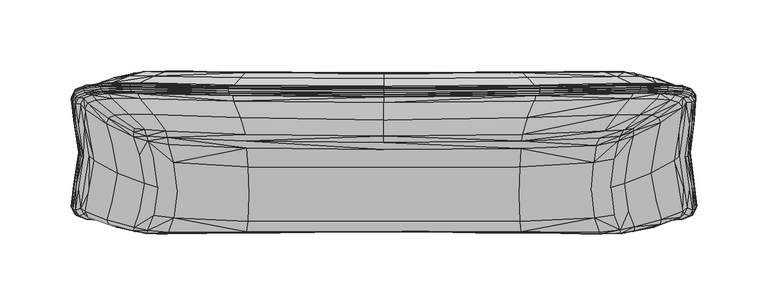
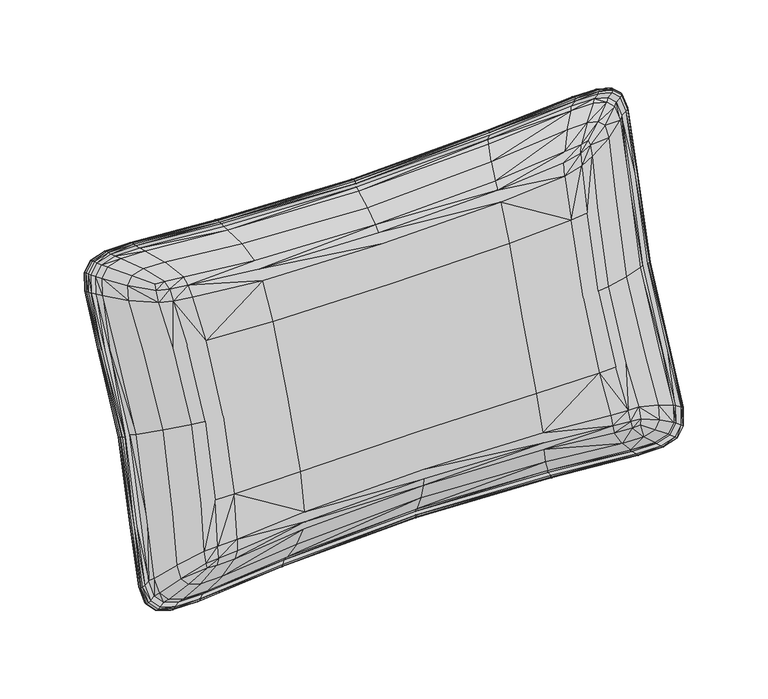
"""IFC4 building model written with IfcOpenShell, lengths in millimetres: furniture geometry."""

from ifc_helpers import new_model, si_unit, origin, place, context, project, spatial, triangles, source, transform, mapped, element, save


def furniture_5aca16b6(model_context):
    return source(origin(), model_context, "Body", "Tessellation", [
        triangles([(-0.1820335, -30.6799178, 155.2535686), (94.5369894, -30.5137716, 155.1598969), (95.0695604, -11.2182254, 207.6314761), (-0.1878292, -11.6325249, 207.0357639), (-95.5483466, -11.2008402, 207.6793111), (-94.8791651, -30.5137965, 155.1598969), (-0.1878224, -49.3098445, 103.5181181), (-95.5453399, -49.4353637, 102.6308358), (95.1270424, -49.4332426, 102.6365495), (171.3514595, -2.7836776, 207.2109349), (161.4035384, -5.7226504, 207.4080523), (159.0480317, -25.575501, 153.3021433), (168.4271831, -22.9330274, 152.3288743), (147.0656962, -8.0856716, 207.570615), (145.3549994, -27.7238278, 154.0994421), (147.4215702, -47.098942, 100.3825265), (161.6633154, -45.1005629, 99.2181262), (171.4593381, -42.6172615, 97.7688324), (-171.7852448, -42.6430548, 97.6976794), (-162.0140752, -45.1216917, 99.1602355), (-159.0837127, -25.5754488, 153.3024522), (-168.3829089, -22.9332454, 152.3294284), (-147.8024881, -47.113853, 100.3417223), (-145.4916462, -27.7238256, 154.0996056), (-147.8174672, -8.0015658, 207.8017964), (-162.0277554, -5.7362829, 207.3707362), (-171.794274, -2.9144334, 206.8527082), (-0.1992, 10.4455504, 244.1423834), (-0.1975442, 6.0080998, 240.0774426), (96.2167379, 6.884011, 242.044619), (97.074934, 11.564675, 246.536932), (-0.1951698, 1.1841133, 233.5233913), (95.7191302, 1.9116573, 235.03807), (-97.3497719, 11.5993522, 246.6320025), (-96.7865886, 6.9632281, 242.2623746), (-96.5188906, 2.0181178, 235.330603), (-0.199101, -56.0113159, 61.552661), (-0.1975112, -56.840444, 67.4024901), (-96.771773, -57.6301033, 64.793615), (-97.3385807, -56.8671048, 58.5203379), (-0.1951377, -56.3791032, 75.3698363), (-96.5031757, -56.9928466, 73.1993701), (96.8448699, -56.8412071, 58.5929397), (96.2847297, -57.6087747, 64.852128), (96.0274961, -56.9777767, 73.2406921), (165.7379395, 10.6015956, 246.94194), (175.0482542, 13.8880626, 248.6702684), (174.7587552, 15.9095394, 251.3602386), (168.4241309, 14.793165, 251.1032594), (151.2424943, 9.1693707, 245.127207), (154.418863, 13.9148517, 250.2399037), (149.0270682, 4.0389267, 237.2804476), (164.2295832, 6.9950962, 239.1534619), (174.8023571, 10.6206669, 241.2858172), (153.1597283, -57.6126398, 53.7255406), (151.746824, -58.1625608, 60.1342928), (150.9459281, -57.1904091, 69.0542289), (166.3325798, -57.8889538, 58.7657262), (167.9348984, -57.4836188, 52.5261498), (175.697833, -56.0597277, 56.4921323), (175.0041435, -56.5959232, 52.1497738), (175.4927402, -53.4652912, 65.217063), (165.6825468, -55.5554662, 67.2971913), (-166.5557312, -57.9713116, 58.5396499), (-175.8186287, -56.0855891, 56.4233183), (-175.0528324, -56.5700617, 52.2269629), (-168.0556033, -57.5094893, 52.4577719), (-152.0854116, -58.2874669, 59.7912359), (-153.4431594, -57.747865, 53.35501), (-151.3385005, -57.2951855, 68.7665057), (-166.0060372, -55.6810944, 66.9522496), (-175.7576767, -53.6016292, 64.8428944), (-153.5501297, 14.1237632, 250.8213544), (-152.1971508, 9.5830928, 246.2640744), (-151.4375315, 4.5665755, 238.7303228), (-166.7471439, 10.6603061, 247.1034127), (-168.3092942, 14.9676422, 251.5864421), (-176.0730281, 13.5044809, 247.6200236), (-175.3633876, 15.8748384, 251.2653498), (-175.8652102, 9.8746811, 239.2435727), (-166.1180762, 6.9463403, 239.0197128), (207.127855, -28.4945589, 86.413103), (203.826821, -6.72583, 146.3778749), (187.6132939, -15.431564, 149.5720567), (191.2328586, -35.8335572, 92.7158614), (207.0522964, 15.3338387, 206.8307982), (191.1598798, 5.6781514, 206.7697555), (209.1801643, 30.4956813, 248.1948069), (194.2842712, 20.1739503, 244.7699614), (206.9202732, 34.2030517, 258.2865419), (192.8244766, 23.6595479, 253.6742144), (201.1886463, 35.871357, 262.8192957), (188.1952715, 25.1529841, 257.42751), (191.2619993, 36.6894484, 265.0503006), (179.7578686, 25.7909471, 259.2054538), (172.948128, 36.7163045, 265.1606863), (163.3670268, 25.6044191, 259.1061503), (105.3985539, 35.1808786, 261.2057859), (100.5734033, 23.4586335, 255.0380301), (-0.2035593, 34.0189628, 258.3684955), (-0.2020328, 21.6100068, 251.9739185), (-105.6073075, 35.1996683, 261.2579993), (-100.7729187, 23.4785723, 255.0910792), (-171.5089535, 36.8524335, 265.5474541), (-161.9391525, 25.7249855, 259.4825081), (-190.9403074, 36.9035114, 265.6444322), (-179.4015677, 25.9924814, 259.7817813), (-202.2515174, 35.9308124, 262.9819493), (-189.1750082, 25.2113449, 257.5886194), (-208.1983565, 33.6246055, 256.7008465), (-194.0136118, 23.099394, 252.1561021), (-210.1247832, 29.4378539, 245.2976363), (-195.1588726, 19.1473823, 241.9929688), (-207.454452, 15.1477604, 206.3205823), (-191.5495907, 5.4999169, 206.2854827), (-203.6760853, -6.7260106, 146.378547), (-187.486503, -15.433207, 149.5732376), (-207.4477482, -28.5238744, 86.3319034), (-191.5478648, -35.8627706, 92.6331267), (-210.0336187, -42.6075919, 47.3531779), (-195.0718866, -48.3234585, 56.6126645), (-207.9414136, -46.5986046, 36.2901382), (-193.7623009, -51.6998557, 46.6493101), (-201.8874045, -48.77235, 30.2639481), (-188.8175627, -53.4833497, 41.3847559), (-190.6847634, -49.8077474, 27.4082108), (-179.1507836, -54.3684156, 38.9953805), (-171.4182069, -49.8520852, 27.3277991), (-161.8513853, -54.4588443, 39.1745847), (-105.5946266, -48.1305378, 32.3082432), (-100.7646071, -53.1680755, 44.4963483), (-0.203523, -46.9819706, 35.8185849), (-0.201976, -52.426165, 48.5551667), (105.0615105, -48.0985767, 32.3974048), (100.2480507, -53.1388622, 44.5859322), (171.1399354, -49.6767779, 27.8074665), (161.5933705, -54.2924573, 39.6266056), (190.6291709, -49.7532767, 27.5535303), (179.10918, -54.3189682, 39.1154767), (201.9575855, -48.8217429, 30.1230069), (188.8965005, -53.5339871, 41.2250136), (207.8858937, -46.544361, 36.4360482), (193.7197344, -51.6509443, 46.7710278), (209.7790376, -42.4304043, 47.8396671), (194.8349825, -48.1558043, 57.071639), (207.3524234, -3.6457443, 145.2510813), (210.422167, 18.6405183, 206.4836901), (210.4975076, -25.74291, 84.5411242), (204.6783497, -46.6159637, 27.1935913), (210.8014679, -44.2639633, 33.6583743), (212.8545221, -40.030142, 45.2910173), (173.2448214, -47.5173076, 24.701481), (193.08994, -47.5853176, 24.5248452), (106.1847795, -45.903548, 29.100379), (-0.2040025, -44.7255313, 32.3144043), (-106.7213383, -45.93565, 29.0124438), (-204.6135281, -46.5638956, 27.3368965), (-193.1506921, -47.6382396, 24.3799299), (-173.527871, -47.6925967, 24.2204693), (-213.1138631, -40.2075385, 44.803974), (-210.8621292, -44.3168126, 33.5134567), (-210.8191086, -25.7714852, 84.4627951), (-207.1996347, -3.6454982, 145.2516627), (-210.827284, 18.4523394, 205.9666795), (-204.9805841, 39.4961448, 263.7850616), (-211.1217064, 37.148759, 257.3382895), (-213.2071169, 32.9066737, 245.6835866), (-173.6210339, 40.5011479, 266.5305699), (-193.4089067, 40.5057988, 266.5536427), (-106.7359087, 39.0063718, 262.3887079), (-0.2040173, 38.0124145, 259.6353876), (106.5252202, 38.9877274, 262.3373302), (203.9073393, 39.4375183, 263.6234799), (193.728037, 40.2890243, 265.9575308), (175.0639146, 40.3602954, 266.1432026), (212.2504347, 33.9696857, 248.6044112), (209.830597, 37.7309614, 258.9378284)], [[1, 2, 3], [3, 4, 1], [4, 5, 6], [6, 1, 4], [7, 1, 6], [6, 8, 7], [7, 9, 2], [2, 1, 7], [10, 11, 12], [12, 13, 10], [11, 14, 15], [15, 12, 11], [14, 3, 2], [2, 15, 14], [9, 16, 15], [15, 2, 9], [17, 12, 15], [15, 16, 17], [17, 18, 13], [13, 12, 17], [19, 20, 21], [21, 22, 19], [20, 23, 24], [24, 21, 20], [23, 8, 6], [6, 24, 23], [5, 25, 24], [24, 6, 5], [26, 21, 24], [24, 25, 26], [26, 27, 22], [22, 21, 26], [28, 29, 30], [30, 31, 28], [29, 32, 33], [33, 30, 29], [28, 34, 35], [35, 29, 28], [33, 32, 4], [4, 3, 33], [32, 29, 35], [35, 36, 32], [5, 4, 32], [32, 36, 5], [37, 38, 39], [39, 40, 37], [38, 41, 42], [42, 39, 38], [37, 43, 44], [44, 38, 37], [42, 41, 7], [7, 8, 42], [41, 38, 44], [44, 45, 41], [9, 7, 41], [41, 45, 9], [46, 47, 48], [48, 49, 46], [50, 46, 49], [49, 51, 50], [46, 50, 52], [52, 53, 46], [47, 46, 53], [53, 54, 47], [51, 31, 30], [30, 50, 51], [52, 50, 30], [30, 33, 52], [14, 52, 33], [33, 3, 14], [14, 11, 53], [53, 52, 14], [11, 10, 54], [54, 53, 11], [43, 55, 56], [56, 44, 43], [45, 44, 56], [56, 57, 45], [45, 57, 16], [16, 9, 45], [58, 56, 55], [55, 59, 58], [60, 58, 59], [59, 61, 60], [58, 60, 62], [62, 63, 58], [56, 58, 63], [63, 57, 56], [18, 17, 63], [63, 62, 18], [16, 57, 63], [63, 17, 16], [64, 65, 66], [66, 67, 64], [68, 64, 67], [67, 69, 68], [64, 68, 70], [70, 71, 64], [65, 64, 71], [71, 72, 65], [69, 40, 39], [39, 68, 69], [70, 68, 39], [39, 42, 70], [23, 70, 42], [42, 8, 23], [23, 20, 71], [71, 70, 23], [20, 19, 72], [72, 71, 20], [34, 73, 74], [74, 35, 34], [36, 35, 74], [74, 75, 36], [36, 75, 25], [25, 5, 36], [76, 74, 73], [73, 77, 76], [78, 76, 77], [77, 79, 78], [76, 78, 80], [80, 81, 76], [74, 76, 81], [81, 75, 74], [27, 26, 81], [81, 80, 27], [25, 75, 81], [81, 26, 25], [82, 83, 84], [84, 85, 82], [83, 86, 87], [87, 84, 83], [84, 87, 10], [10, 13, 84], [13, 18, 85], [85, 84, 13], [86, 88, 89], [89, 87, 86], [88, 90, 91], [91, 89, 88], [90, 92, 93], [93, 91, 90], [48, 47, 91], [91, 93, 48], [47, 54, 89], [89, 91, 47], [10, 87, 89], [89, 54, 10], [92, 94, 95], [95, 93, 92], [94, 96, 97], [97, 95, 94], [96, 98, 99], [99, 97, 96], [98, 100, 101], [101, 99, 98], [31, 99, 101], [101, 28, 31], [31, 51, 97], [97, 99, 31], [51, 49, 95], [95, 97, 51], [49, 48, 93], [93, 95, 49], [100, 102, 103], [103, 101, 100], [101, 103, 34], [34, 28, 101], [102, 104, 105], [105, 103, 102], [104, 106, 107], [107, 105, 104], [106, 108, 109], [109, 107, 106], [79, 77, 107], [107, 109, 79], [77, 73, 105], [105, 107, 77], [34, 103, 105], [105, 73, 34], [108, 110, 111], [111, 109, 108], [110, 112, 113], [113, 111, 110], [112, 114, 115], [115, 113, 112], [114, 116, 117], [117, 115, 114], [27, 115, 117], [117, 22, 27], [27, 80, 113], [113, 115, 27], [80, 78, 111], [111, 113, 80], [78, 79, 109], [109, 111, 78], [116, 118, 119], [119, 117, 116], [117, 119, 19], [19, 22, 117], [118, 120, 121], [121, 119, 118], [120, 122, 123], [123, 121, 120], [122, 124, 125], [125, 123, 122], [66, 65, 123], [123, 125, 66], [65, 72, 121], [121, 123, 65], [19, 119, 121], [121, 72, 19], [124, 126, 127], [127, 125, 124], [126, 128, 129], [129, 127, 126], [128, 130, 131], [131, 129, 128], [130, 132, 133], [133, 131, 130], [40, 131, 133], [133, 37, 40], [40, 69, 129], [129, 131, 40], [69, 67, 127], [127, 129, 69], [67, 66, 125], [125, 127, 67], [132, 134, 135], [135, 133, 132], [133, 135, 43], [43, 37, 133], [134, 136, 137], [137, 135, 134], [136, 138, 139], [139, 137, 136], [138, 140, 141], [141, 139, 138], [61, 59, 139], [139, 141, 61], [59, 55, 137], [137, 139, 59], [43, 135, 137], [137, 55, 43], [140, 142, 143], [143, 141, 140], [142, 144, 145], [145, 143, 142], [82, 85, 145], [145, 144, 82], [18, 62, 145], [145, 85, 18], [62, 60, 143], [143, 145, 62], [60, 61, 141], [141, 143, 60], [146, 147, 86], [86, 83, 146], [148, 146, 83], [83, 82, 148], [140, 149, 150], [150, 142, 140], [144, 142, 150], [150, 151, 144], [144, 151, 148], [148, 82, 144], [136, 152, 153], [153, 138, 136], [149, 140, 138], [138, 153, 149], [134, 154, 152], [152, 136, 134], [155, 154, 134], [134, 132, 155], [156, 155, 132], [132, 130, 156], [124, 157, 158], [158, 126, 124], [128, 126, 158], [158, 159, 128], [128, 159, 156], [156, 130, 128], [120, 160, 161], [161, 122, 120], [157, 124, 122], [122, 161, 157], [118, 162, 160], [160, 120, 118], [163, 162, 118], [118, 116, 163], [164, 163, 116], [116, 114, 164], [108, 165, 166], [166, 110, 108], [112, 110, 166], [166, 167, 112], [112, 167, 164], [164, 114, 112], [104, 168, 169], [169, 106, 104], [165, 108, 106], [106, 169, 165], [102, 170, 168], [168, 104, 102], [171, 170, 102], [102, 100, 171], [172, 171, 100], [100, 98, 172], [92, 173, 174], [174, 94, 92], [96, 94, 174], [174, 175, 96], [96, 175, 172], [172, 98, 96], [88, 176, 177], [177, 90, 88], [173, 92, 90], [90, 177, 173], [86, 147, 176], [176, 88, 86]], closed=False),
        triangles([(-0.2052155, 41.0935037, 263.9981482), (-109.2623624, 42.0562901, 266.6434083), (-109.0178824, 40.6860749, 266.2985892), (-0.2051063, 39.7036358, 263.5992808), (108.8058677, 40.6681027, 266.2490646), (109.0493303, 42.0386177, 266.5947739), (-109.3438981, 43.4711747, 266.4095199), (-0.2052838, 42.5149513, 263.7822639), (109.130539, 43.4536022, 266.3611217), (-0.2052378, 43.7426062, 263.0339265), (109.0493303, 44.6876793, 265.630425), (108.8058314, 45.5153904, 264.4848191), (-0.205129, 44.5509053, 261.8349263), (-109.0178824, 45.5333535, 264.5342892), (-109.2623805, 44.7053926, 265.6791866), (179.2454544, 42.016467, 269.9536168), (179.7576324, 43.3549481, 270.2112864), (179.9284432, 44.7593092, 269.9484754), (198.4953514, 41.912826, 269.6688776), (199.0994751, 43.235951, 269.8843441), (209.050303, 41.0043376, 267.1728091), (209.722137, 42.310894, 267.3427478), (209.9461241, 43.704627, 267.0507962), (199.3008981, 44.6351843, 269.6074897), (209.0502849, 45.8516162, 265.4085817), (198.4952969, 46.7601182, 267.9046321), (199.0994751, 45.8850399, 268.9201225), (209.7221189, 44.9599919, 266.3785807), (179.2453817, 46.8637592, 268.1893713), (179.7576688, 46.004037, 269.2471192), (-210.1426419, 41.0626326, 267.3332099), (-198.1740955, 42.130468, 270.2670606), (-198.7801995, 43.4528437, 270.480456), (-210.8165288, 42.3685667, 267.5014227), (-177.7809726, 42.155789, 270.336624), (-178.2947857, 43.4935116, 270.5922043), (-178.4661052, 44.8976047, 270.3286484), (-198.9823129, 44.8518907, 270.2030565), (-211.0411517, 43.7620953, 267.2088716), (-177.7809726, 47.0030994, 268.5723966), (-178.2947857, 46.142605, 269.6279826), (-198.1740955, 46.9777285, 268.5027061), (-198.7801995, 46.1019416, 269.5162889), (-210.14266, 45.9098976, 265.5688554), (-210.8165288, 45.0176691, 266.5372556), (-216.7752494, 19.268555, 207.4545065), (-218.8408028, 34.2190164, 248.5305604), (-219.6311434, 35.4767408, 248.5663503), (-217.6931984, 20.4429019, 207.2612407), (-219.8946447, 36.8542049, 248.2295976), (-217.9992117, 21.7925811, 206.8481482), (-216.5575301, 38.6182505, 260.6173226), (-217.2900254, 39.904155, 260.7305061), (-217.5341965, 41.2909707, 260.4195512), (-216.5575483, 43.4655473, 258.8530771), (-217.2900435, 42.553262, 259.7663389), (-218.8408028, 39.0663246, 246.766333), (-219.6311434, 38.1258387, 247.6021286), (-216.7752494, 24.1158586, 205.6902429), (-217.6931984, 23.0920225, 206.2970736), (-214.9476175, 37.5079145, 259.8159362), (-208.6382824, 39.9156459, 266.4310302), (-217.1373276, 33.1633237, 247.8788741), (-214.8835771, 18.3788075, 207.256826), (-108.4140947, 39.4518842, 265.1476783), (-0.2047795, 38.4464632, 262.3806597), (-176.6021201, 40.9607947, 269.2997505), (-196.8035578, 40.9566934, 269.2903215), (108.2034608, 39.4334669, 265.0969547), (197.1266304, 40.7383473, 268.690231), (207.5510123, 39.8566515, 266.2686128), (178.0652394, 40.8202827, 268.9136185), (108.2034245, 45.7206104, 262.8086133), (-0.2047806, 44.73065, 260.0933902), (178.0652212, 47.1116047, 266.62386), (197.1266122, 47.0307594, 266.399982), (207.5509033, 46.1495813, 263.9781821), (-108.4140947, 45.739005, 262.8592824), (-196.803576, 47.2490963, 267.000018), (-208.6382642, 46.2086484, 264.140545), (-176.6021383, 47.2520077, 267.0098466), (-217.1373276, 39.4561309, 245.5884434), (-214.8835771, 24.6703828, 204.9669404), (-214.9476175, 43.8009874, 257.5253783), (-213.2071169, 32.9066737, 245.6835866), (-210.827284, 18.4523394, 205.9666795), (-211.1217064, 37.148759, 257.3382895), (-204.9805841, 39.4961448, 263.7850616), (-173.6210339, 40.5011479, 266.5305699), (-106.7359087, 39.0063718, 262.3887079), (-0.2040173, 38.0124145, 259.6353876), (-193.4089067, 40.5057988, 266.5536427), (106.5252202, 38.9877274, 262.3373302), (175.0639146, 40.3602954, 266.1432026), (193.728037, 40.2890243, 265.9575308), (203.9073393, 39.4375183, 263.6234799), (209.830597, 37.7309614, 258.9378284), (213.6435546, 38.0990121, 261.4398015), (215.2493978, 39.2120279, 262.2484549), (215.9803669, 40.4988089, 262.3641455), (216.2242292, 41.8859562, 262.0540263), (215.2493433, 44.0593156, 260.4842275), (215.9804214, 43.1479068, 261.3999238), (213.643482, 44.3921305, 259.1493163), (209.8305788, 43.368383, 256.8858825), (203.9073757, 45.0729937, 261.5723697), (175.0638237, 45.9857514, 264.0957258), (106.525202, 44.5907739, 260.2979562), (-0.2040183, 43.601154, 257.6013185), (193.7280188, 45.9209797, 263.9076196), (-106.7358814, 44.6094818, 260.3493884), (-173.6210521, 46.1267448, 264.4830387), (-193.4089612, 46.1379859, 264.5036588), (-204.9806023, 45.1318609, 261.7339514), (-211.1217427, 42.7861511, 255.286507), (-214.3023807, -2.3084182, 144.752429), (-217.6835878, -25.0918233, 82.1555958), (-216.7661111, -26.1139992, 82.766932), (-213.3073833, -3.4070433, 145.1538035), (-217.9893831, -23.7929654, 81.6029406), (-214.6340102, -0.9840366, 144.2699276), (-214.3023807, 0.340673, 143.7882346), (-213.307347, 1.4402596, 143.3895852), (-216.7657841, -21.2668024, 81.0024412), (-217.6834607, -22.4427776, 81.1912379), (-0.2052654, -45.1447417, 27.0605803), (108.6991337, -46.2900751, 23.9137338), (108.4566884, -47.1201298, 25.0529221), (-0.2051564, -45.9569968, 28.2486368), (-108.9999329, -47.1519593, 24.9655705), (-109.2432956, -46.3217002, 23.8269386), (108.7800335, -45.0551714, 23.1853217), (-0.2052874, -43.9157651, 26.315881), (-109.3243862, -45.0867692, 23.0986173), (-0.2052441, -42.4956301, 26.0963813), (-109.2431048, -43.6726568, 22.8625989), (-108.9996513, -42.3047579, 23.2010593), (-0.2051137, -41.1097227, 26.4843709), (108.4570154, -42.2727604, 23.2888923), (108.6993517, -43.6409318, 22.9496779), (197.8449368, -48.7410202, 20.5995489), (177.3940413, -48.7030319, 20.703937), (177.9051292, -47.8435868, 19.6454488), (198.4480977, -47.8674498, 19.5798959), (178.075722, -46.5989135, 18.9438984), (198.6494117, -46.6180711, 18.8912604), (177.3945681, -43.8555807, 18.9400991), (177.9054744, -45.1943935, 18.6815155), (197.8454092, -43.8935599, 18.8357439), (198.4484611, -45.2182474, 18.6159717), (-177.6835585, -48.8792339, 20.2199822), (-178.1962089, -48.01933, 19.1627929), (-178.3670197, -46.7745704, 18.4614821), (-197.9080507, -48.7922661, 20.4589052), (-198.5129375, -47.9180826, 19.44096), (-209.7653212, -47.6577742, 23.5759751), (-210.4379727, -46.7676532, 22.6017477), (-210.6620506, -45.5128606, 21.9280288), (-198.7144877, -46.6685858, 18.7526833), (-209.7647216, -42.8106636, 21.8112141), (-197.9074512, -43.9451601, 18.6941623), (-198.512556, -45.2690937, 18.4764862), (-210.4375912, -44.1186597, 21.637258), (-177.6830316, -44.0321052, 18.4552916), (-178.1959, -45.3703229, 18.1983487), (-216.2903771, -45.3145669, 30.0138361), (-217.0218005, -44.4047115, 29.0938682), (-218.7441154, -41.0491614, 41.7329314), (-219.5335839, -40.1110918, 40.8904683), (-219.7966856, -38.8403073, 40.2606784), (-217.2655356, -43.1433241, 28.4382578), (-218.7435885, -36.202044, 39.968209), (-219.5332751, -37.4621142, 39.9259787), (-216.2897957, -40.4674609, 28.2490774), (-217.0214553, -41.7557225, 28.1293786), (107.856725, -47.3295238, 26.7176733), (-0.2047426, -46.1442219, 29.9696619), (176.2199123, -48.9497329, 22.2724686), (106.1847795, -45.903548, 29.100379), (-0.2040025, -44.7255313, 32.3144043), (196.4791227, -49.0079098, 22.1145), (-108.397853, -47.3616621, 26.6294951), (-106.7213383, -45.93565, 29.0124438), (-196.5399111, -49.060155, 21.9711403), (-208.2637231, -47.9522057, 25.0161034), (-176.5065409, -49.1263891, 21.7873125), (-173.527871, -47.6925967, 24.2204693), (-193.1506921, -47.6382396, 24.3799299), (-204.6135281, -46.5638956, 27.3368965), (-214.8749112, -26.6650603, 83.4998724), (-211.306379, -4.1277041, 145.4195213), (-217.0419482, -41.4337945, 42.9249962), (-213.1138631, -40.2075385, 44.803974), (-210.8191086, -25.7714852, 84.4627951), (-207.1996347, -3.6454982, 145.2516627), (-214.6826446, -45.6450336, 31.3551651), (-210.8621292, -44.3168126, 33.5134567), (-211.3063608, 2.1630781, 143.1298264), (-213.2071169, 38.5442361, 243.6316588), (-210.827284, 24.0873697, 203.9156964), (-207.1996347, 1.9883888, 143.2010248), (-214.8746023, -20.3735747, 81.2096688), (-210.8188361, -20.136523, 82.4115758), (-214.6820269, -39.3521356, 29.0641439), (-208.2631054, -41.6594166, 22.7251209), (-217.0413669, -35.1411622, 40.6341204), (-213.1133908, -34.5701419, 42.751651), (-210.8616205, -38.6796748, 31.4611724), (-204.6130194, -40.9285337, 25.2852503), (-108.397526, -41.074605, 24.3408971), (-0.204809, -39.860067, 27.682415), (-176.5059414, -42.8353033, 19.4970544), (-173.5273441, -42.0670498, 22.1724838), (-106.7210567, -40.3326353, 26.972879), (-0.2039382, -39.1370824, 30.2803601), (-196.5392389, -42.7679246, 19.6803894), (-193.1501108, -42.0062296, 22.3295259), (107.8570521, -41.042285, 24.4295885), (106.185052, -40.3004743, 27.0612729), (176.2205664, -42.6583519, 19.9831053), (196.4797404, -42.7153069, 19.8247574), (214.4622183, -2.3085687, 144.7518476), (217.2844116, 20.6379913, 207.796982), (216.3671348, 19.4626996, 207.9876862), (213.4672936, -3.4071645, 145.1532585), (216.4416033, -26.0876836, 82.8390388), (217.3584442, -25.0663274, 82.2254407), (217.5900797, 21.9879384, 207.3846889), (214.793866, -0.9841758, 144.269328), (217.6640396, -23.7676899, 81.6721315), (214.462182, 0.3405411, 143.7876805), (217.3585713, -22.4171841, 81.2613644), (216.441785, -21.2403142, 81.0750022), (213.4672573, 1.4401199, 143.3889857), (216.3672074, 24.3099873, 206.2234044), (217.2843753, 23.2870756, 206.8327603), (217.87689, 35.3026848, 251.5077042), (218.6662677, 36.5615492, 251.546619), (218.9295147, 37.9394039, 251.21092), (217.8768355, 40.1499703, 249.7434042), (218.6663767, 39.2106608, 250.5824518), (209.8307241, -47.7137028, 23.4220601), (210.5018678, -46.8243494, 22.4457684), (210.725764, -45.5697158, 21.7715772), (209.8313782, -42.866247, 21.6582869), (210.502213, -44.1751424, 21.4818669), (218.4790153, -40.8715832, 42.2206242), (219.2670668, -39.934263, 41.3761309), (219.5298051, -38.6636375, 40.7458596), (216.2273359, -45.2638069, 30.1530855), (216.9571969, -44.3547145, 29.2310351), (217.2008048, -43.0935088, 28.5749228), (216.2279717, -40.4163512, 28.3892941), (216.9576329, -41.7055212, 28.2671177), (218.4795422, -36.024132, 40.4568147), (219.2672848, -37.285072, 40.4121817), (211.4653264, -4.1278781, 145.4188673), (214.5518023, -26.6374525, 83.5754946), (214.4767523, 18.5710662, 207.7848461), (210.4975076, -25.74291, 84.5411242), (207.3524234, -3.6457443, 145.2510813), (210.422167, 18.6405183, 206.4836901), (214.6218016, -45.5930474, 31.4977913), (208.3310155, -48.0066764, 24.8662579), (216.7795187, -41.2553534, 43.4150644), (212.8545221, -40.030142, 45.2910173), (210.8014679, -44.2639633, 33.6583743), (204.6783497, -46.6159637, 27.1935913), (173.2448214, -47.5173076, 24.701481), (193.08994, -47.5853176, 24.5248452), (216.1753042, 34.242616, 250.8441183), (212.2504347, 33.9696857, 248.6044112), (211.4654717, 2.1629748, 143.129245), (214.4767523, 24.8626426, 205.4949241), (214.5520203, -20.3457853, 81.2858088), (210.4220761, 24.2756599, 204.4326706), (207.3525506, 1.9883772, 143.2004616), (210.4977074, -20.1077638, 82.4903501), (216.1753042, 40.5355118, 248.5536876), (212.2504529, 39.6075343, 246.5524107), (208.3316332, -41.7134876, 22.5763291), (173.2452574, -41.891738, 22.6543925), (193.0905577, -41.9531623, 22.475395), (204.6790219, -40.9802793, 25.142883), (216.7802273, -34.9623668, 41.1251651), (212.8549582, -34.3925251, 43.2395391), (214.6225828, -39.2997678, 29.2078193), (210.8019221, -38.626544, 31.6070097)], [[1, 2, 3], [3, 4, 1], [4, 5, 6], [6, 1, 4], [7, 2, 1], [1, 8, 7], [9, 8, 1], [1, 6, 9], [10, 11, 12], [12, 13, 10], [13, 14, 15], [15, 10, 13], [9, 11, 10], [10, 8, 9], [7, 8, 10], [10, 15, 7], [5, 16, 17], [17, 6, 5], [6, 17, 18], [18, 9, 6], [16, 19, 20], [20, 17, 16], [19, 21, 22], [22, 20, 19], [23, 24, 20], [20, 22, 23], [18, 17, 20], [20, 24, 18], [25, 26, 27], [27, 28, 25], [26, 29, 30], [30, 27, 26], [12, 11, 30], [30, 29, 12], [18, 30, 11], [11, 9, 18], [18, 24, 27], [27, 30, 18], [24, 23, 28], [28, 27, 24], [31, 32, 33], [33, 34, 31], [32, 35, 36], [36, 33, 32], [3, 2, 36], [36, 35, 3], [37, 36, 2], [2, 7, 37], [37, 38, 33], [33, 36, 37], [38, 39, 34], [34, 33, 38], [14, 40, 41], [41, 15, 14], [15, 41, 37], [37, 7, 15], [40, 42, 43], [43, 41, 40], [42, 44, 45], [45, 43, 42], [39, 38, 43], [43, 45, 39], [37, 41, 43], [43, 38, 37], [46, 47, 48], [48, 49, 46], [49, 48, 50], [50, 51, 49], [47, 52, 53], [53, 48, 47], [52, 31, 34], [34, 53, 52], [39, 54, 53], [53, 34, 39], [50, 48, 53], [53, 54, 50], [44, 55, 56], [56, 45, 44], [55, 57, 58], [58, 56, 55], [59, 60, 58], [58, 57, 59], [50, 58, 60], [60, 51, 50], [50, 54, 56], [56, 58, 50], [54, 39, 45], [45, 56, 54], [31, 52, 61], [61, 62, 31], [52, 47, 63], [63, 61, 52], [46, 64, 63], [63, 47, 46], [3, 65, 66], [66, 4, 3], [3, 35, 67], [67, 65, 3], [35, 32, 68], [68, 67, 35], [32, 31, 62], [62, 68, 32], [66, 69, 5], [5, 4, 66], [21, 19, 70], [70, 71, 21], [19, 16, 72], [72, 70, 19], [5, 69, 72], [72, 16, 5], [12, 73, 74], [74, 13, 12], [12, 29, 75], [75, 73, 12], [29, 26, 76], [76, 75, 29], [26, 25, 77], [77, 76, 26], [74, 78, 14], [14, 13, 74], [44, 42, 79], [79, 80, 44], [42, 40, 81], [81, 79, 42], [14, 78, 81], [81, 40, 14], [59, 57, 82], [82, 83, 59], [57, 55, 84], [84, 82, 57], [55, 44, 80], [80, 84, 55], [85, 63, 64], [64, 86, 85], [85, 87, 61], [61, 63, 85], [87, 88, 62], [62, 61, 87], [65, 67, 89], [89, 90, 65], [90, 91, 66], [66, 65, 90], [88, 92, 68], [68, 62, 88], [89, 67, 68], [68, 92, 89], [93, 69, 66], [66, 91, 93], [94, 72, 69], [69, 93, 94], [94, 95, 70], [70, 72, 94], [95, 96, 71], [71, 70, 95], [96, 97, 98], [98, 71, 96], [21, 99, 100], [100, 22, 21], [101, 23, 22], [22, 100, 101], [102, 25, 28], [28, 103, 102], [23, 101, 103], [103, 28, 23], [99, 21, 71], [71, 98, 99], [25, 102, 104], [104, 77, 25], [105, 106, 77], [77, 104, 105], [73, 75, 107], [107, 108, 73], [108, 109, 74], [74, 73, 108], [106, 110, 76], [76, 77, 106], [107, 75, 76], [76, 110, 107], [111, 78, 74], [74, 109, 111], [112, 81, 78], [78, 111, 112], [112, 113, 79], [79, 81, 112], [113, 114, 80], [80, 79, 113], [114, 115, 84], [84, 80, 114], [116, 117, 118], [118, 119, 116], [119, 46, 49], [49, 116, 119], [120, 117, 116], [116, 121, 120], [51, 121, 116], [116, 49, 51], [122, 60, 59], [59, 123, 122], [123, 124, 125], [125, 122, 123], [51, 60, 122], [122, 121, 51], [120, 121, 122], [122, 125, 120], [126, 127, 128], [128, 129, 126], [129, 130, 131], [131, 126, 129], [132, 127, 126], [126, 133, 132], [134, 133, 126], [126, 131, 134], [135, 136, 137], [137, 138, 135], [138, 139, 140], [140, 135, 138], [134, 136, 135], [135, 133, 134], [132, 133, 135], [135, 140, 132], [141, 142, 143], [143, 144, 141], [128, 127, 143], [143, 142, 128], [145, 143, 127], [127, 132, 145], [145, 146, 144], [144, 143, 145], [139, 147, 148], [148, 140, 139], [140, 148, 145], [145, 132, 140], [147, 149, 150], [150, 148, 147], [145, 148, 150], [150, 146, 145], [130, 151, 152], [152, 131, 130], [131, 152, 153], [153, 134, 131], [151, 154, 155], [155, 152, 151], [154, 156, 157], [157, 155, 154], [158, 159, 155], [155, 157, 158], [153, 152, 155], [155, 159, 153], [160, 161, 162], [162, 163, 160], [161, 164, 165], [165, 162, 161], [137, 136, 165], [165, 164, 137], [153, 165, 136], [136, 134, 153], [153, 159, 162], [162, 165, 153], [159, 158, 163], [163, 162, 159], [156, 166, 167], [167, 157, 156], [166, 168, 169], [169, 167, 166], [118, 117, 169], [169, 168, 118], [170, 169, 117], [117, 120, 170], [170, 171, 167], [167, 169, 170], [171, 158, 157], [157, 167, 171], [124, 172, 173], [173, 125, 124], [125, 173, 170], [170, 120, 125], [172, 174, 175], [175, 173, 172], [174, 160, 163], [163, 175, 174], [158, 171, 175], [175, 163, 158], [170, 173, 175], [175, 171, 170], [128, 176, 177], [177, 129, 128], [128, 142, 178], [178, 176, 128], [179, 180, 177], [177, 176, 179], [142, 141, 181], [181, 178, 142], [177, 182, 130], [130, 129, 177], [183, 182, 177], [177, 180, 183], [156, 154, 184], [184, 185, 156], [154, 151, 186], [186, 184, 154], [130, 182, 186], [186, 151, 130], [187, 186, 182], [182, 183, 187], [187, 188, 184], [184, 186, 187], [188, 189, 185], [185, 184, 188], [118, 190, 191], [191, 119, 118], [118, 168, 192], [192, 190, 118], [190, 192, 193], [193, 194, 190], [194, 195, 191], [191, 190, 194], [168, 166, 196], [196, 192, 168], [166, 156, 185], [185, 196, 166], [189, 197, 196], [196, 185, 189], [193, 192, 196], [196, 197, 193], [191, 64, 46], [46, 119, 191], [86, 64, 191], [191, 195, 86], [59, 83, 198], [198, 123, 59], [83, 82, 199], [199, 200, 83], [200, 201, 198], [198, 83, 200], [199, 82, 84], [84, 115, 199], [198, 202, 124], [124, 123, 198], [203, 202, 198], [198, 201, 203], [160, 174, 204], [204, 205, 160], [174, 172, 206], [206, 204, 174], [124, 202, 206], [206, 172, 124], [207, 206, 202], [202, 203, 207], [207, 208, 204], [204, 206, 207], [208, 209, 205], [205, 204, 208], [137, 210, 211], [211, 138, 137], [137, 164, 212], [212, 210, 137], [210, 212, 213], [213, 214, 210], [214, 215, 211], [211, 210, 214], [164, 161, 216], [216, 212, 164], [161, 160, 205], [205, 216, 161], [209, 217, 216], [216, 205, 209], [213, 212, 216], [216, 217, 213], [211, 218, 139], [139, 138, 211], [219, 218, 211], [211, 215, 219], [149, 147, 220], [220, 221, 149], [139, 218, 220], [220, 147, 139], [222, 223, 224], [224, 225, 222], [225, 226, 227], [227, 222, 225], [228, 223, 222], [222, 229, 228], [230, 229, 222], [222, 227, 230], [231, 232, 233], [233, 234, 231], [234, 235, 236], [236, 231, 234], [230, 232, 231], [231, 229, 230], [228, 229, 231], [231, 236, 228], [99, 237, 238], [238, 100, 99], [224, 223, 238], [238, 237, 224], [239, 238, 223], [223, 228, 239], [239, 101, 100], [100, 238, 239], [235, 240, 241], [241, 236, 235], [236, 241, 239], [239, 228, 236], [240, 102, 103], [103, 241, 240], [239, 241, 103], [103, 101, 239], [242, 141, 144], [144, 243, 242], [146, 244, 243], [243, 144, 146], [149, 245, 246], [246, 150, 149], [244, 146, 150], [150, 246, 244], [226, 247, 248], [248, 227, 226], [227, 248, 249], [249, 230, 227], [247, 250, 251], [251, 248, 247], [250, 242, 243], [243, 251, 250], [244, 252, 251], [251, 243, 244], [249, 248, 251], [251, 252, 249], [245, 253, 254], [254, 246, 245], [253, 255, 256], [256, 254, 253], [233, 232, 256], [256, 255, 233], [249, 256, 232], [232, 230, 249], [249, 252, 254], [254, 256, 249], [252, 244, 246], [246, 254, 252], [257, 258, 226], [226, 225, 257], [225, 224, 259], [259, 257, 225], [260, 258, 257], [257, 261, 260], [262, 261, 257], [257, 259, 262], [242, 250, 263], [263, 264, 242], [250, 247, 265], [265, 263, 250], [226, 258, 265], [265, 247, 226], [266, 265, 258], [258, 260, 266], [266, 267, 263], [263, 265, 266], [267, 268, 264], [264, 263, 267], [176, 178, 269], [269, 179, 176], [141, 242, 264], [264, 181, 141], [268, 270, 181], [181, 264, 268], [269, 178, 181], [181, 270, 269], [224, 237, 271], [271, 259, 224], [259, 271, 272], [272, 262, 259], [237, 99, 98], [98, 271, 237], [272, 271, 98], [98, 97, 272], [273, 274, 235], [235, 234, 273], [234, 233, 275], [275, 273, 234], [276, 274, 273], [273, 277, 276], [278, 277, 273], [273, 275, 278], [102, 240, 279], [279, 104, 102], [235, 274, 279], [279, 240, 235], [280, 279, 274], [274, 276, 280], [280, 105, 104], [104, 279, 280], [245, 149, 221], [221, 281, 245], [282, 220, 218], [218, 219, 282], [282, 283, 221], [221, 220, 282], [283, 284, 281], [281, 221, 283], [233, 255, 285], [285, 275, 233], [275, 285, 286], [286, 278, 275], [255, 253, 287], [287, 285, 255], [253, 245, 281], [281, 287, 253], [284, 288, 287], [287, 281, 284], [286, 285, 287], [287, 288, 286]], closed=False),
        triangles([(-96.328795, 28.1216551, 133.8174042), (-1.6337314, 28.3094412, 133.7831767), (-1.6414364, 9.3258695, 82.1763703), (-96.9972044, 8.8473604, 81.4042154), (-97.0002565, 47.0895676, 186.4738104), (-1.6414652, 47.0032765, 185.6941524), (93.0872596, 28.1222864, 133.8190393), (93.6176051, 47.0655047, 186.4075899), (93.6750144, 8.8580457, 81.4334742), (147.4214612, 5.5986834, 81.2021384), (145.354954, 25.2850618, 134.8057796), (147.0656872, 44.6119572, 188.3902087), (168.4270922, 21.0101751, 136.3348378), (159.0480317, 23.4077191, 135.4737621), (161.4034294, 42.9781588, 189.6824082), (171.3514595, 40.8523847, 191.3286922), (171.4593926, 1.0186665, 81.8866896), (161.6633154, 3.6002313, 81.4924731), (-147.8174672, 44.696059, 188.6214083), (-145.4916462, 25.2850754, 134.8059613), (-147.8024881, 5.5837889, 81.1613614), (-168.3828907, 21.0105703, 136.3351921), (-159.0836763, 23.40776, 135.4740255), (-162.0141116, 3.5791034, 81.4345915), (-171.785263, 0.9925654, 81.815582), (-171.794274, 40.722201, 190.9702656), (-162.0277735, 42.9645332, 189.6451467), (-96.518936, 54.7157282, 216.150233), (-0.1951358, 54.193013, 214.2297834), (-96.7865977, 55.6640306, 224.5366942), (-0.1975312, 54.9913336, 222.2490977), (-97.349781, 55.1736399, 230.7722511), (-0.1992078, 54.4572683, 228.1234666), (96.2167197, 55.5848157, 224.318975), (97.0748886, 55.1391716, 230.677108), (95.7190575, 54.6092939, 215.8576818), (96.0274507, -4.2801439, 54.0602903), (-0.1951255, -3.370203, 56.0761693), (96.2847206, -8.9079717, 47.1264885), (-0.1974764, -7.8572483, 49.5740362), (96.8448972, -13.2669477, 42.7332337), (-0.1991524, -12.0002588, 45.5339349), (-96.7717549, -8.9293003, 47.0679891), (-97.3385807, -13.2938652, 42.6609589), (-96.5032211, -4.2952249, 54.0189684), (149.0270954, 54.4211013, 218.9428678), (154.418972, 55.7190735, 235.024408), (151.242567, 55.8156429, 228.1494279), (165.7379213, 55.88497, 230.4601517), (168.4241673, 55.6011801, 236.2502598), (174.7587552, 54.9112104, 237.1648115), (175.048236, 54.7306709, 233.8047877), (164.229565, 53.641357, 222.1756102), (174.8023026, 52.4869852, 226.047703), (175.4926857, -11.5951282, 49.9775999), (165.6826376, -8.9092178, 50.3193622), (150.9459645, -6.8082389, 50.7166218), (166.3325071, -12.6055884, 42.2839288), (175.6978512, -15.2159612, 41.6262292), (167.9348439, -16.6744887, 37.6728481), (175.0041254, -17.5964175, 37.9551574), (153.1597465, -15.8046948, 38.5087051), (151.7468059, -11.5163097, 43.1564501), (-151.3385186, -6.9130256, 50.4288714), (-153.4431958, -15.9394159, 38.1379383), (-152.0853935, -11.6412237, 42.8134069), (-166.5557312, -12.687944, 42.0578298), (-168.0555669, -16.69874, 37.6038616), (-175.0528142, -17.5667648, 38.0308704), (-175.8186105, -15.240518, 41.5569293), (-166.0060372, -9.0348273, 49.9744205), (-175.7576767, -11.7313322, 49.6033222), (-175.8652102, 51.7456015, 224.0037689), (-166.1180762, 53.592609, 222.0418611), (-151.4375497, 54.948749, 220.3927066), (-166.7471439, 55.9436692, 230.6216063), (-176.0730463, 54.3492807, 232.7536709), (-168.3092942, 55.7780498, 236.7327158), (-175.3634058, 54.8766468, 237.0697773), (-153.5501842, 55.9326824, 235.6040601), (-152.197169, 56.2293576, 229.286259), (207.0523509, 26.7292551, 202.6832316), (203.826821, 4.7695405, 142.1939097), (187.6132939, 13.4917092, 139.0449104), (191.1598798, 34.0866776, 196.4298888), (207.128073, -17.0992016, 82.2657362), (191.2328586, -7.4258963, 82.3764126), (209.7794736, -31.2182003, 43.7591204), (194.8350733, -20.898143, 47.1508147), (207.8862207, -35.396822, 32.3790828), (193.7199343, -24.8418022, 37.0134861), (201.9582032, -37.7101823, 26.0791358), (188.8967003, -26.9642312, 31.5545874), (190.6296796, -38.6482133, 23.5120278), (179.1092527, -27.7188727, 29.4340182), (171.1404259, -38.5436185, 23.7556721), (161.5934977, -27.4106566, 29.8425893), (105.0618012, -36.8023071, 28.2860778), (100.2480961, -25.1066207, 34.383103), (-0.2035251, -35.4586959, 31.6244505), (-0.202003, -23.101263, 37.8817652), (-105.5944086, -36.8353288, 28.1969571), (-100.7645162, -25.1419474, 34.2956197), (-171.4177709, -38.7180128, 23.2749533), (-161.8512945, -27.5739914, 29.38914), (-190.6843456, -38.7003267, 23.3650391), (-179.1506382, -27.7584733, 29.3099956), (-201.8869866, -37.6578531, 26.2181603), (-188.8174174, -26.90062, 31.7092382), (-207.9409776, -35.4494759, 32.2317785), (-193.7621555, -24.8828516, 36.8885392), (-210.0332917, -31.3955514, 43.2719681), (-195.0717958, -21.0650251, 46.6912043), (-207.4475302, -17.1292313, 82.1843822), (-191.5478467, -7.4569111, 82.294132), (-203.6760671, 4.7699969, 142.1943911), (-187.486503, 13.4935941, 139.0448105), (-207.454452, 26.5437218, 202.1728522), (-191.5495907, 33.9117904, 195.9443443), (-210.1247832, 40.650839, 241.2164719), (-195.1588544, 46.40959, 232.0703369), (-208.1983747, 44.7734435, 252.6430455), (-194.01363, 49.9148947, 242.3960511), (-202.2515174, 47.0441579, 258.9369382), (-189.17499, 51.7890127, 247.9151546), (-190.9403438, 48.0104779, 261.601801), (-179.401604, 52.600364, 250.0972707), (-171.5089717, 47.9872599, 261.4947036), (-161.9391888, 52.6129541, 249.6961869), (-105.6073075, 46.4962308, 257.1464407), (-100.7729096, 51.5110319, 244.8881046), (-0.2035613, 45.5433048, 254.1739295), (-0.202038, 50.9388148, 241.2991704), (105.3985175, 46.4770686, 257.0943), (100.5733215, 51.4922467, 244.834565), (172.9481644, 47.8430554, 261.1108971), (163.3670086, 52.4634719, 249.3302753), (191.2620174, 47.7926678, 261.009032), (179.7578868, 52.3844252, 249.5262845), (201.1886281, 46.9852907, 258.7741575), (188.1952533, 51.7302772, 247.7541724), (206.920255, 45.3496801, 254.2294312), (192.8244766, 50.4617273, 243.9189777), (209.1801461, 41.7028824, 244.1157135), (194.2843439, 47.4083526, 234.8575032), (207.3525506, 1.9883772, 143.2004616), (210.4977074, -20.1077638, 82.4903501), (210.4220761, 24.2756599, 204.4326706), (203.9073757, 45.0729937, 261.5723697), (209.8305788, 43.368383, 256.8858825), (212.2504529, 39.6075343, 246.5524107), (175.0638237, 45.9857514, 264.0957258), (193.7280188, 45.9209797, 263.9076196), (106.525202, 44.5907739, 260.2979562), (-0.2040183, 43.601154, 257.6013185), (-106.7358814, 44.6094818, 260.3493884), (-204.9806023, 45.1318609, 261.7339514), (-193.4089612, 46.1379859, 264.5036588), (-173.6210521, 46.1267448, 264.4830387), (-213.2071169, 38.5442361, 243.6316588), (-211.1217427, 42.7861511, 255.286507), (-210.827284, 24.0873697, 203.9156964), (-207.1996347, 1.9883888, 143.2010248), (-210.8188361, -20.136523, 82.4115758), (-204.6130194, -40.9285337, 25.2852503), (-210.8616205, -38.6796748, 31.4611724), (-213.1133908, -34.5701419, 42.751651), (-173.5273441, -42.0670498, 22.1724838), (-193.1501108, -42.0062296, 22.3295259), (-106.7210567, -40.3326353, 26.972879), (-0.2039382, -39.1370824, 30.2803601), (106.185052, -40.3004743, 27.0612729), (204.6790219, -40.9802793, 25.142883), (193.0905577, -41.9531623, 22.475395), (173.2452574, -41.891738, 22.6543925), (212.8549582, -34.3925251, 43.2395391), (210.8019221, -38.626544, 31.6070097)], [[1, 2, 3], [3, 4, 1], [1, 5, 6], [6, 2, 1], [7, 2, 6], [6, 8, 7], [7, 9, 3], [3, 2, 7], [10, 9, 7], [7, 11, 10], [12, 11, 7], [7, 8, 12], [13, 14, 15], [15, 16, 13], [11, 12, 15], [15, 14, 11], [13, 17, 18], [18, 14, 13], [10, 11, 14], [14, 18, 10], [19, 5, 1], [1, 20, 19], [21, 20, 1], [1, 4, 21], [22, 23, 24], [24, 25, 22], [20, 21, 24], [24, 23, 20], [22, 26, 27], [27, 23, 22], [19, 20, 23], [23, 27, 19], [5, 28, 29], [29, 6, 5], [28, 30, 31], [31, 29, 28], [30, 32, 33], [33, 31, 30], [34, 31, 33], [33, 35, 34], [34, 36, 29], [29, 31, 34], [36, 8, 6], [6, 29, 36], [9, 37, 38], [38, 3, 9], [37, 39, 40], [40, 38, 37], [39, 41, 42], [42, 40, 39], [43, 40, 42], [42, 44, 43], [43, 45, 38], [38, 40, 43], [45, 4, 3], [3, 38, 45], [8, 36, 46], [46, 12, 8], [47, 48, 34], [34, 35, 47], [46, 36, 34], [34, 48, 46], [49, 50, 51], [51, 52, 49], [53, 49, 52], [52, 54, 53], [49, 53, 46], [46, 48, 49], [50, 49, 48], [48, 47, 50], [54, 16, 15], [15, 53, 54], [46, 53, 15], [15, 12, 46], [17, 55, 56], [56, 18, 17], [10, 18, 56], [56, 57, 10], [10, 57, 37], [37, 9, 10], [58, 56, 55], [55, 59, 58], [60, 58, 59], [59, 61, 60], [58, 60, 62], [62, 63, 58], [56, 58, 63], [63, 57, 56], [41, 39, 63], [63, 62, 41], [37, 57, 63], [63, 39, 37], [4, 45, 64], [64, 21, 4], [65, 66, 43], [43, 44, 65], [64, 45, 43], [43, 66, 64], [67, 68, 69], [69, 70, 67], [71, 67, 70], [70, 72, 71], [67, 71, 64], [64, 66, 67], [68, 67, 66], [66, 65, 68], [72, 25, 24], [24, 71, 72], [64, 71, 24], [24, 21, 64], [26, 73, 74], [74, 27, 26], [19, 27, 74], [74, 75, 19], [19, 75, 28], [28, 5, 19], [76, 74, 73], [73, 77, 76], [78, 76, 77], [77, 79, 78], [76, 78, 80], [80, 81, 76], [74, 76, 81], [81, 75, 74], [32, 30, 81], [81, 80, 32], [28, 75, 81], [81, 30, 28], [82, 83, 84], [84, 85, 82], [83, 86, 87], [87, 84, 83], [84, 87, 17], [17, 13, 84], [13, 16, 85], [85, 84, 13], [86, 88, 89], [89, 87, 86], [88, 90, 91], [91, 89, 88], [90, 92, 93], [93, 91, 90], [61, 59, 91], [91, 93, 61], [59, 55, 89], [89, 91, 59], [17, 87, 89], [89, 55, 17], [92, 94, 95], [95, 93, 92], [94, 96, 97], [97, 95, 94], [96, 98, 99], [99, 97, 96], [98, 100, 101], [101, 99, 98], [41, 99, 101], [101, 42, 41], [41, 62, 97], [97, 99, 41], [62, 60, 95], [95, 97, 62], [60, 61, 93], [93, 95, 60], [100, 102, 103], [103, 101, 100], [101, 103, 44], [44, 42, 101], [102, 104, 105], [105, 103, 102], [104, 106, 107], [107, 105, 104], [106, 108, 109], [109, 107, 106], [69, 68, 107], [107, 109, 69], [68, 65, 105], [105, 107, 68], [44, 103, 105], [105, 65, 44], [108, 110, 111], [111, 109, 108], [110, 112, 113], [113, 111, 110], [112, 114, 115], [115, 113, 112], [114, 116, 117], [117, 115, 114], [25, 115, 117], [117, 22, 25], [25, 72, 113], [113, 115, 25], [72, 70, 111], [111, 113, 72], [70, 69, 109], [109, 111, 70], [116, 118, 119], [119, 117, 116], [117, 119, 26], [26, 22, 117], [118, 120, 121], [121, 119, 118], [120, 122, 123], [123, 121, 120], [122, 124, 125], [125, 123, 122], [79, 77, 123], [123, 125, 79], [77, 73, 121], [121, 123, 77], [26, 119, 121], [121, 73, 26], [124, 126, 127], [127, 125, 124], [126, 128, 129], [129, 127, 126], [128, 130, 131], [131, 129, 128], [130, 132, 133], [133, 131, 130], [32, 131, 133], [133, 33, 32], [32, 80, 129], [129, 131, 32], [80, 78, 127], [127, 129, 80], [78, 79, 125], [125, 127, 78], [132, 134, 135], [135, 133, 132], [133, 135, 35], [35, 33, 133], [134, 136, 137], [137, 135, 134], [136, 138, 139], [139, 137, 136], [138, 140, 141], [141, 139, 138], [51, 50, 139], [139, 141, 51], [50, 47, 137], [137, 139, 50], [35, 135, 137], [137, 47, 35], [140, 142, 143], [143, 141, 140], [142, 144, 145], [145, 143, 142], [82, 85, 145], [145, 144, 82], [16, 54, 145], [145, 85, 16], [54, 52, 143], [143, 145, 54], [52, 51, 141], [141, 143, 52], [146, 147, 86], [86, 83, 146], [148, 146, 83], [83, 82, 148], [140, 149, 150], [150, 142, 140], [144, 142, 150], [150, 151, 144], [144, 151, 148], [148, 82, 144], [136, 152, 153], [153, 138, 136], [149, 140, 138], [138, 153, 149], [134, 154, 152], [152, 136, 134], [155, 154, 134], [134, 132, 155], [156, 155, 132], [132, 130, 156], [124, 157, 158], [158, 126, 124], [128, 126, 158], [158, 159, 128], [128, 159, 156], [156, 130, 128], [120, 160, 161], [161, 122, 120], [157, 124, 122], [122, 161, 157], [118, 162, 160], [160, 120, 118], [163, 162, 118], [118, 116, 163], [164, 163, 116], [116, 114, 164], [108, 165, 166], [166, 110, 108], [112, 110, 166], [166, 167, 112], [112, 167, 164], [164, 114, 112], [104, 168, 169], [169, 106, 104], [165, 108, 106], [106, 169, 165], [102, 170, 168], [168, 104, 102], [171, 170, 102], [102, 100, 171], [172, 171, 100], [100, 98, 172], [92, 173, 174], [174, 94, 92], [96, 94, 174], [174, 175, 96], [96, 175, 172], [172, 98, 96], [88, 176, 177], [177, 90, 88], [173, 92, 90], [90, 177, 173], [86, 147, 176], [176, 88, 86]], closed=False),
    ])


if __name__ == "__main__":
    model = new_model("IFC4")
    model_context = context("Model", 3, world=origin())
    ifc_project = project(units=[si_unit("LENGTHUNIT", "METRE", prefix="MILLI")], contexts=[model_context])
    site = spatial("IfcSite", under=ifc_project)
    building = spatial("IfcBuilding", under=site)
    placement = place(None, origin())
    furniture_shape = furniture_5aca16b6(model_context)
    element("IfcFurniture", 1, at=placement, inside=building, context=model_context, shape_type="MappedRepresentation", body=[
        mapped(furniture_shape, transform((0.0, 0.0, 0.0), x_axis=(1.0, 0.0, 0.0), y_axis=(0.0, 1.0, 0.0), z_axis=(0.0, 0.0, 1.0))),
    ])
    save(model, "model.ifc")
